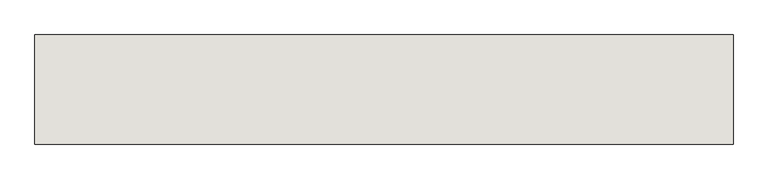
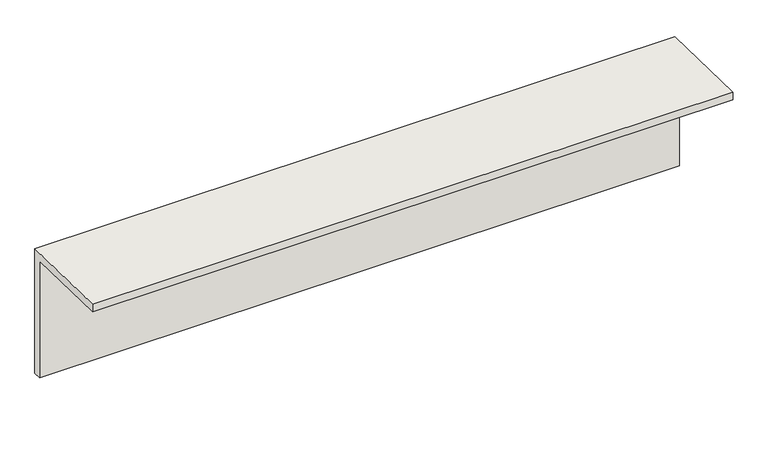
"""IFC4 building model written with IfcOpenShell, lengths in millimetres: wall geometry."""

from ifc_helpers import new_model, si_unit, frame, origin, place, context, project, spatial, polyline, outline, extrude, source, transform, mapped, element, save


def wall_411e455d(model_context):
    return source(origin(), model_context, "Body", "SweptSolid", [
        extrude(outline(polyline([(93269.9313244, -3053.75), (93269.9313244, -5373.75), (93128.5807475, -5373.75), (93128.5807475, -3199.4598924), (91507.2177292, -3161.9649477), (91507.2177292, -3021.9649477), (93269.9313244, -3053.75)])), frame((-16240.3673568, 0.0, 0.0), z_axis=(1.0, 0.0, 0.0), x_axis=(0.0, 1.0, 0.0)), (0.0, 0.0, 1.0), 11278.1053159),
    ])


if __name__ == "__main__":
    model = new_model("IFC4")
    model_context = context("Model", 3, world=origin())
    ifc_project = project(units=[si_unit("LENGTHUNIT", "METRE", prefix="MILLI")], contexts=[model_context])
    site = spatial("IfcSite", under=ifc_project)
    building = spatial("IfcBuilding", under=site)
    placement = place(None, origin())
    wall_shape = wall_411e455d(model_context)
    element("IfcWall", 1, at=placement, inside=building, context=model_context, shape_type="MappedRepresentation", body=[
        mapped(wall_shape, transform((0.0, 0.0, 0.0), x_axis=(1.0, 0.0, 0.0), y_axis=(0.0, 1.0, 0.0), z_axis=(0.0, 0.0, 1.0))),
    ])
    save(model, "model.ifc")
